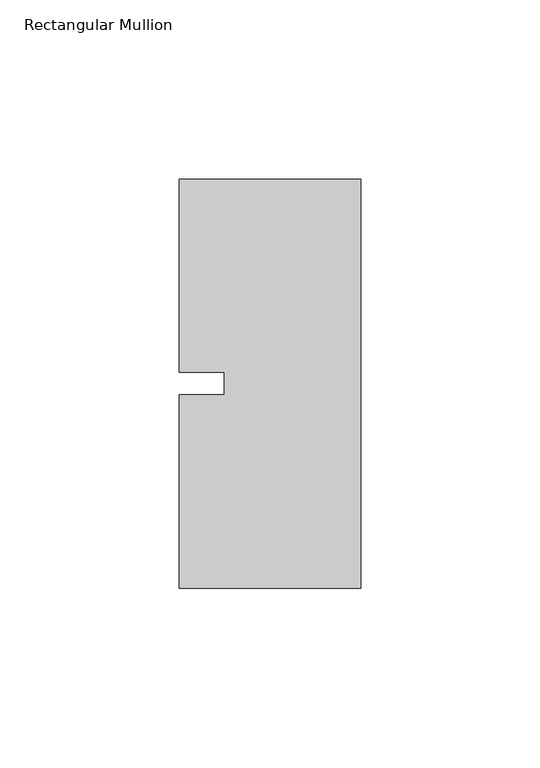
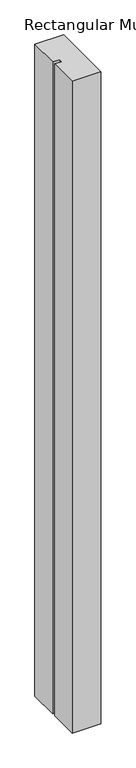
"""IFC4 building model written with IfcOpenShell, lengths in millimetres: member geometry, Rectangular Mullion."""

from ifc_helpers import new_model, si_unit, frame, origin, place, context, project, spatial, polyline, outline, extrude, source, transform, mapped, element, save


def rectangular_mullion_589571dd(model_context):
    return source(origin(), model_context, "Body", "SweptSolid", [
        extrude(outline(polyline([(29.7344027, 57.15), (29.7344027, 3.175), (29.7344027, -3.175), (29.7344027, -57.15), (-21.0655973, -57.15), (-21.0655973, -3.175), (-8.3655973, -3.175), (-8.3655973, 3.175), (-21.0655973, 3.175), (-21.0655973, 57.15), (29.7344027, 57.15)])), frame((0.0, 0.0, -1219.2), z_axis=(0.0, 0.0, 1.0), x_axis=(1.0, 0.0, 0.0)), (0.0, 0.0, 1.0), 1219.2),
    ])


if __name__ == "__main__":
    model = new_model("IFC4")
    model_context = context("Model", 3, world=origin())
    ifc_project = project(units=[si_unit("LENGTHUNIT", "METRE", prefix="MILLI")], contexts=[model_context])
    site = spatial("IfcSite", under=ifc_project)
    building = spatial("IfcBuilding", under=site)
    placement = place(None, origin())
    rectangular_mullion_shape = rectangular_mullion_589571dd(model_context)
    element("IfcMember", 1, ObjectType="Rectangular Mullion", at=placement, inside=building, context=model_context, shape_type="MappedRepresentation", body=[
        mapped(rectangular_mullion_shape, transform((0.0, 0.0, 0.0), x_axis=(1.0, 0.0, 0.0), y_axis=(0.0, 1.0, 0.0), z_axis=(0.0, 0.0, 1.0))),
    ])
    save(model, "model.ifc")
